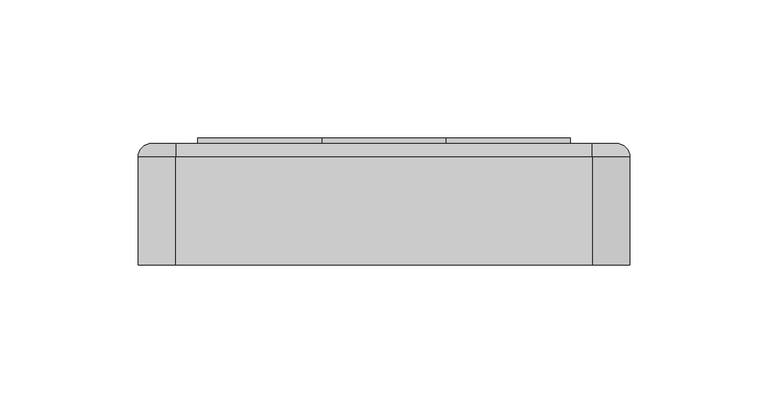
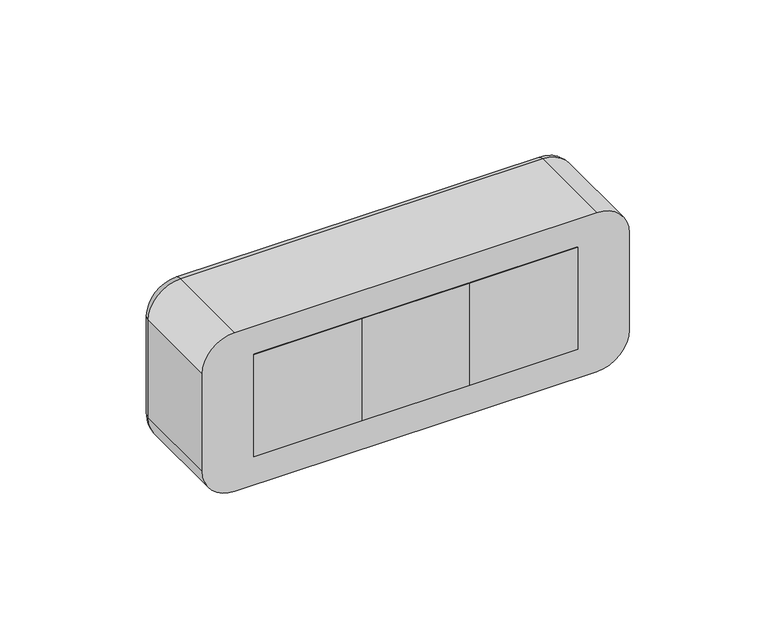
"""IFC4 building model written with IfcOpenShell, lengths in millimetres: proxy geometry."""

from ifc_helpers import new_model, si_unit, point, frame, frame_2d, origin, origin_2d, place, context, project, spatial, polyline, circle_curve, ellipse_curve, trimmed, segment, composite_curve, outline, extrude, source, transform, mapped, element, save
from ifc_brep_helpers import plane_surface, cylinder_surface, revolved_surface, advanced_brep


def electrical_fixtures_80a44ed6(model_context):
    return source(origin(), model_context, "Body", "SolidModel", [
        advanced_brep(
        [(67.5, 44.0, 22.5), (67.5, 44.0, -22.5), (22.5, 44.0, -22.5), (22.5, 44.0, 22.5), (27.0, 44.0, 0.0), (63.0, 44.0, 0.0), (67.5, 36.0, 22.5), (22.5, 36.0, 22.5), (22.5, 36.0, -22.5), (67.5, 36.0, -22.5), (38.0, 36.0, 0.0), (33.0, 36.0, 0.0), (57.0, 36.0, 0.0), (52.0, 36.0, 0.0), (27.0, 37.0, 0.0), (63.0, 37.0, 0.0), (33.0, 37.0, 0.0), (38.0, 37.0, 0.0), (52.0, 37.0, 0.0), (57.0, 37.0, 0.0)],
        [
            (0, 1),
            (1, 2),
            (2, 3),
            (3, 0),
            (4, 5, circle_curve(frame((45.0, 44.0, 0.0), z_axis=(0.0, -1.0, 0.0), x_axis=(1.0, 0.0, 0.0)), 18.0)),
            (5, 4, circle_curve(frame((45.0, 44.0, 0.0), z_axis=(0.0, -1.0, 0.0), x_axis=(1.0, 0.0, 0.0)), 18.0)),
            (6, 7),
            (7, 8),
            (8, 9),
            (9, 6),
            (10, 11, circle_curve(frame((35.5, 36.0, 0.0), z_axis=(0.0, 1.0, 0.0), x_axis=(1.0, 0.0, 0.0)), 2.5)),
            (11, 10, circle_curve(frame((35.5, 36.0, 0.0), z_axis=(0.0, 1.0, 0.0), x_axis=(1.0, 0.0, 0.0)), 2.5)),
            (12, 13, circle_curve(frame((54.5, 36.0, 0.0), z_axis=(0.0, 1.0, 0.0), x_axis=(1.0, 0.0, 0.0)), 2.5)),
            (13, 12, circle_curve(frame((54.5, 36.0, 0.0), z_axis=(0.0, 1.0, 0.0), x_axis=(1.0, 0.0, 0.0)), 2.5)),
            (3, 7),
            (6, 0),
            (2, 8),
            (1, 9),
            (14, 15, circle_curve(frame((45.0, 37.0, 0.0), z_axis=(0.0, 1.0, 0.0), x_axis=(1.0, 0.0, 0.0)), 18.0)),
            (15, 14, circle_curve(frame((45.0, 37.0, 0.0), z_axis=(0.0, 1.0, 0.0), x_axis=(1.0, 0.0, 0.0)), 18.0)),
            (16, 17, circle_curve(frame((35.5, 37.0, 0.0), z_axis=(0.0, -1.0, 0.0), x_axis=(1.0, 0.0, 0.0)), 2.5)),
            (17, 16, circle_curve(frame((35.5, 37.0, 0.0), z_axis=(0.0, -1.0, 0.0), x_axis=(1.0, 0.0, 0.0)), 2.5)),
            (18, 19, circle_curve(frame((54.5, 37.0, 0.0), z_axis=(0.0, -1.0, 0.0), x_axis=(1.0, 0.0, 0.0)), 2.5)),
            (19, 18, circle_curve(frame((54.5, 37.0, 0.0), z_axis=(0.0, -1.0, 0.0), x_axis=(1.0, 0.0, 0.0)), 2.5)),
            (15, 5),
            (4, 14),
            (10, 17),
            (16, 11),
            (12, 19),
            (18, 13),
        ],
        [
            plane_surface(frame((6.0, 44.0, 22.5), z_axis=(0.0, 1.0, 0.0), x_axis=(1.0, 0.0, 0.0))),
            plane_surface(frame((6.0, 36.0, 22.5), z_axis=(0.0, -1.0, 0.0), x_axis=(-1.0, 0.0, 0.0))),
            plane_surface(frame((67.5, 36.0, 22.5), z_axis=(0.0, 0.0, 1.0), x_axis=(0.0, 1.0, 0.0))),
            plane_surface(frame((22.5, 36.0, 22.5), z_axis=(-1.0, 0.0, 0.0), x_axis=(0.0, 1.0, 0.0))),
            plane_surface(frame((22.5, 36.0, -22.5), z_axis=(0.0, 0.0, -1.0), x_axis=(0.0, 1.0, 0.0))),
            plane_surface(frame((67.5, 36.0, -22.5), z_axis=(1.0, 0.0, 0.0), x_axis=(0.0, 1.0, 0.0))),
            plane_surface(frame((63.0, 37.0, 0.0), z_axis=(0.0, 1.0, 0.0), x_axis=(0.0, 0.0, 1.0))),
            revolved_surface(polyline([(63.0, 37.0, 0.0), (63.0, 44.0, 0.0)]), (45.0, 44.0, 0.0), (0.0, -1.0, 0.0)),
            revolved_surface(polyline([(38.0, 36.0, 0.0), (38.0, 37.0, 0.0)]), (35.5, 37.0, 0.0), (0.0, -1.0, 0.0)),
            revolved_surface(polyline([(57.0, 36.0, 0.0), (57.0, 37.0, 0.0)]), (54.5, 36.0, 0.0), (0.0, -1.0, 0.0)),
        ],
        [
            (0, [[1, 2, 3, 4], [5, 6]]),
            (1, [[7, 8, 9, 10], [11, 12], [13, 14]]),
            (2, [[-4, 15, -7, 16]]),
            (3, [[-3, 17, -8, -15]]),
            (4, [[-2, 18, -9, -17]]),
            (5, [[-1, -16, -10, -18]]),
            (6, [[19, 20], [21, 22], [23, 24]]),
            (7, [[-20, 25, -5, 26]]),
            (7, [[-19, -26, -6, -25]]),
            (8, [[27, -21, 28, -11]]),
            (8, [[-27, -12, -28, -22]]),
            (9, [[29, -23, 30, -13]]),
            (9, [[-29, -14, -30, -24]]),
        ],
    ),
        extrude(outline(polyline([(67.5, 0.0), (22.5, 0.0), (22.5, 36.0), (67.5, 36.0), (67.5, 0.0)])), frame((0.0, 0.0, -22.5), z_axis=(0.0, 0.0, 1.0), x_axis=(1.0, 0.0, 0.0)), (0.0, 0.0, 1.0), 45.0),
        extrude(outline(polyline([(67.5, 44.0), (22.5, 44.0), (22.5, 46.0), (67.5, 46.0), (67.5, 44.0)])), frame((0.0, 0.0, -22.5), z_axis=(0.0, 0.0, 1.0), x_axis=(1.0, 0.0, 0.0)), (0.0, 0.0, 1.0), 45.0),
        extrude(outline(composite_curve([segment(polyline([(-16.0, 43.5), (-17.9373911, 43.5)]), True, "CONTINUOUS"), segment(trimmed(circle_curve(frame_2d((0.0, 45.0)), 18.0), [point((-17.9373911, 43.5))], [point((-17.9373911, 46.5))], False, "CARTESIAN"), True, "CONTINUOUS"), segment(polyline([(-17.9373911, 46.5), (-16.0, 46.5), (-16.0, 43.5)]), True, "CONTINUOUS")], self_intersect=False)), frame((0.0, 37.0, 0.0), z_axis=(0.0, 1.0, 0.0), x_axis=(0.0, 0.0, 1.0)), (0.0, 0.0, 1.0), 6.0),
        extrude(outline(composite_curve([segment(polyline([(16.0, 43.5), (16.0, 46.5), (17.9373911, 46.5)]), True, "CONTINUOUS"), segment(trimmed(circle_curve(frame_2d((0.0, 45.0)), 18.0), [point((17.9373911, 46.5))], [point((17.9373911, 43.5))], False, "CARTESIAN"), True, "CONTINUOUS"), segment(polyline([(17.9373911, 43.5), (16.0, 43.5)]), True, "CONTINUOUS")], self_intersect=False)), frame((0.0, 37.0, 0.0), z_axis=(0.0, 1.0, 0.0), x_axis=(0.0, 0.0, 1.0)), (0.0, 0.0, 1.0), 6.0),
        extrude(outline(composite_curve([segment(polyline([(8.2462113, 61.0), (2.0, 61.0), (2.0, 62.8885438)]), True, "CONTINUOUS"), segment(trimmed(circle_curve(frame_2d((0.0, 45.0)), 18.0), [point((2.0, 62.8885438))], [point((8.2462113, 61.0))], False, "CARTESIAN"), True, "CONTINUOUS")], self_intersect=False)), frame((0.0, 37.0, 0.0), z_axis=(0.0, 1.0, 0.0), x_axis=(0.0, 0.0, 1.0)), (0.0, 0.0, 1.0), 6.0),
        extrude(outline(composite_curve([segment(trimmed(circle_curve(frame_2d((0.0, 45.0)), 18.0), [point((-8.2462113, 61.0))], [point((-2.0, 62.8885438))], False, "CARTESIAN"), True, "CONTINUOUS"), segment(polyline([(-2.0, 62.8885438), (-2.0, 61.0), (-8.2462113, 61.0)]), True, "CONTINUOUS")], self_intersect=False)), frame((0.0, 37.0, 0.0), z_axis=(0.0, 1.0, 0.0), x_axis=(0.0, 0.0, 1.0)), (0.0, 0.0, 1.0), 6.0),
        extrude(outline(composite_curve([segment(polyline([(-8.2462113, 29.0), (-2.0, 29.0), (-2.0, 27.1114562)]), True, "CONTINUOUS"), segment(trimmed(circle_curve(frame_2d((0.0, 45.0)), 18.0), [point((-2.0, 27.1114562))], [point((-8.2462113, 29.0))], False, "CARTESIAN"), True, "CONTINUOUS")], self_intersect=False)), frame((0.0, 37.0, 0.0), z_axis=(0.0, 1.0, 0.0), x_axis=(0.0, 0.0, 1.0)), (0.0, 0.0, 1.0), 6.0),
        extrude(outline(composite_curve([segment(trimmed(circle_curve(frame_2d((0.0, 45.0)), 18.0), [point((8.2462113, 29.0))], [point((2.0, 27.1114562))], False, "CARTESIAN"), True, "CONTINUOUS"), segment(polyline([(2.0, 27.1114562), (2.0, 29.0), (8.2462113, 29.0)]), True, "CONTINUOUS")], self_intersect=False)), frame((0.0, 37.0, 0.0), z_axis=(0.0, 1.0, 0.0), x_axis=(0.0, 0.0, 1.0)), (0.0, 0.0, 1.0), 6.0),
        advanced_brep(
        [(-22.5, 44.0, 22.5), (-22.5, 44.0, -22.5), (-67.5, 44.0, -22.5), (-67.5, 44.0, 22.5), (-63.0, 44.0, 0.0), (-27.0, 44.0, 0.0), (-22.5, 36.0, 22.5), (-67.5, 36.0, 22.5), (-67.5, 36.0, -22.5), (-22.5, 36.0, -22.5), (-52.0, 36.0, 0.0), (-57.0, 36.0, 0.0), (-33.0, 36.0, 0.0), (-38.0, 36.0, 0.0), (-63.0, 37.0, 0.0), (-27.0, 37.0, 0.0), (-57.0, 37.0, 0.0), (-52.0, 37.0, 0.0), (-38.0, 37.0, 0.0), (-33.0, 37.0, 0.0)],
        [
            (0, 1),
            (1, 2),
            (2, 3),
            (3, 0),
            (4, 5, circle_curve(frame((-45.0, 44.0, 0.0), z_axis=(0.0, -1.0, 0.0), x_axis=(1.0, 0.0, 0.0)), 18.0)),
            (5, 4, circle_curve(frame((-45.0, 44.0, 0.0), z_axis=(0.0, -1.0, 0.0), x_axis=(1.0, 0.0, 0.0)), 18.0)),
            (6, 7),
            (7, 8),
            (8, 9),
            (9, 6),
            (10, 11, circle_curve(frame((-54.5, 36.0, 0.0), z_axis=(0.0, 1.0, 0.0), x_axis=(1.0, 0.0, 0.0)), 2.5)),
            (11, 10, circle_curve(frame((-54.5, 36.0, 0.0), z_axis=(0.0, 1.0, 0.0), x_axis=(1.0, 0.0, 0.0)), 2.5)),
            (12, 13, circle_curve(frame((-35.5, 36.0, 0.0), z_axis=(0.0, 1.0, 0.0), x_axis=(1.0, 0.0, 0.0)), 2.5)),
            (13, 12, circle_curve(frame((-35.5, 36.0, 0.0), z_axis=(0.0, 1.0, 0.0), x_axis=(1.0, 0.0, 0.0)), 2.5)),
            (3, 7),
            (6, 0),
            (2, 8),
            (1, 9),
            (14, 15, circle_curve(frame((-45.0, 37.0, 0.0), z_axis=(0.0, 1.0, 0.0), x_axis=(1.0, 0.0, 0.0)), 18.0)),
            (15, 14, circle_curve(frame((-45.0, 37.0, 0.0), z_axis=(0.0, 1.0, 0.0), x_axis=(1.0, 0.0, 0.0)), 18.0)),
            (16, 17, circle_curve(frame((-54.5, 37.0, 0.0), z_axis=(0.0, -1.0, 0.0), x_axis=(1.0, 0.0, 0.0)), 2.5)),
            (17, 16, circle_curve(frame((-54.5, 37.0, 0.0), z_axis=(0.0, -1.0, 0.0), x_axis=(1.0, 0.0, 0.0)), 2.5)),
            (18, 19, circle_curve(frame((-35.5, 37.0, 0.0), z_axis=(0.0, -1.0, 0.0), x_axis=(1.0, 0.0, 0.0)), 2.5)),
            (19, 18, circle_curve(frame((-35.5, 37.0, 0.0), z_axis=(0.0, -1.0, 0.0), x_axis=(1.0, 0.0, 0.0)), 2.5)),
            (15, 5),
            (4, 14),
            (10, 17),
            (16, 11),
            (12, 19),
            (18, 13),
        ],
        [
            plane_surface(frame((-84.0, 44.0, 22.5), z_axis=(0.0, 1.0, 0.0), x_axis=(1.0, 0.0, 0.0))),
            plane_surface(frame((-84.0, 36.0, 22.5), z_axis=(0.0, -1.0, 0.0), x_axis=(-1.0, 0.0, 0.0))),
            plane_surface(frame((-22.5, 36.0, 22.5), z_axis=(0.0, 0.0, 1.0), x_axis=(0.0, 1.0, 0.0))),
            plane_surface(frame((-67.5, 36.0, 22.5), z_axis=(-1.0, 0.0, 0.0), x_axis=(0.0, 1.0, 0.0))),
            plane_surface(frame((-67.5, 36.0, -22.5), z_axis=(0.0, 0.0, -1.0), x_axis=(0.0, 1.0, 0.0))),
            plane_surface(frame((-22.5, 36.0, -22.5), z_axis=(1.0, 0.0, 0.0), x_axis=(0.0, 1.0, 0.0))),
            plane_surface(frame((-27.0, 37.0, 0.0), z_axis=(0.0, 1.0, 0.0), x_axis=(0.0, 0.0, 1.0))),
            revolved_surface(polyline([(-27.0, 37.0, 0.0), (-27.0, 44.0, 0.0)]), (-45.0, 44.0, 0.0), (0.0, -1.0, 0.0)),
            revolved_surface(polyline([(-52.0, 36.0, 0.0), (-52.0, 37.0, 0.0)]), (-54.5, 37.0, 0.0), (0.0, -1.0, 0.0)),
            revolved_surface(polyline([(-33.0, 36.0, 0.0), (-33.0, 37.0, 0.0)]), (-35.5, 36.0, 0.0), (0.0, -1.0, 0.0)),
        ],
        [
            (0, [[1, 2, 3, 4], [5, 6]]),
            (1, [[7, 8, 9, 10], [11, 12], [13, 14]]),
            (2, [[-4, 15, -7, 16]]),
            (3, [[-3, 17, -8, -15]]),
            (4, [[-2, 18, -9, -17]]),
            (5, [[-1, -16, -10, -18]]),
            (6, [[19, 20], [21, 22], [23, 24]]),
            (7, [[-20, 25, -5, 26]]),
            (7, [[-19, -26, -6, -25]]),
            (8, [[27, -21, 28, -11]]),
            (8, [[-27, -12, -28, -22]]),
            (9, [[29, -23, 30, -13]]),
            (9, [[-29, -14, -30, -24]]),
        ],
    ),
        extrude(outline(polyline([(-22.5, 0.0), (-67.5, 0.0), (-67.5, 36.0), (-22.5, 36.0), (-22.5, 0.0)])), frame((0.0, 0.0, -22.5), z_axis=(0.0, 0.0, 1.0), x_axis=(1.0, 0.0, 0.0)), (0.0, 0.0, 1.0), 45.0),
        extrude(outline(polyline([(-22.5, 44.0), (-67.5, 44.0), (-67.5, 46.0), (-22.5, 46.0), (-22.5, 44.0)])), frame((0.0, 0.0, -22.5), z_axis=(0.0, 0.0, 1.0), x_axis=(1.0, 0.0, 0.0)), (0.0, 0.0, 1.0), 45.0),
        extrude(outline(composite_curve([segment(polyline([(-16.0, -46.5), (-17.9373911, -46.5)]), True, "CONTINUOUS"), segment(trimmed(circle_curve(frame_2d((0.0, -45.0)), 18.0), [point((-17.9373911, -46.5))], [point((-17.9373911, -43.5))], False, "CARTESIAN"), True, "CONTINUOUS"), segment(polyline([(-17.9373911, -43.5), (-16.0, -43.5), (-16.0, -46.5)]), True, "CONTINUOUS")], self_intersect=False)), frame((0.0, 37.0, 0.0), z_axis=(0.0, 1.0, 0.0), x_axis=(0.0, 0.0, 1.0)), (0.0, 0.0, 1.0), 6.0),
        extrude(outline(composite_curve([segment(polyline([(16.0, -46.5), (16.0, -43.5), (17.9373911, -43.5)]), True, "CONTINUOUS"), segment(trimmed(circle_curve(frame_2d((0.0, -45.0)), 18.0), [point((17.9373911, -43.5))], [point((17.9373911, -46.5))], False, "CARTESIAN"), True, "CONTINUOUS"), segment(polyline([(17.9373911, -46.5), (16.0, -46.5)]), True, "CONTINUOUS")], self_intersect=False)), frame((0.0, 37.0, 0.0), z_axis=(0.0, 1.0, 0.0), x_axis=(0.0, 0.0, 1.0)), (0.0, 0.0, 1.0), 6.0),
        extrude(outline(composite_curve([segment(polyline([(8.2462113, -29.0), (2.0, -29.0), (2.0, -27.1114562)]), True, "CONTINUOUS"), segment(trimmed(circle_curve(frame_2d((0.0, -45.0)), 18.0), [point((2.0, -27.1114562))], [point((8.2462113, -29.0))], False, "CARTESIAN"), True, "CONTINUOUS")], self_intersect=False)), frame((0.0, 37.0, 0.0), z_axis=(0.0, 1.0, 0.0), x_axis=(0.0, 0.0, 1.0)), (0.0, 0.0, 1.0), 6.0),
        extrude(outline(composite_curve([segment(trimmed(circle_curve(frame_2d((0.0, -45.0)), 18.0), [point((-8.2462113, -29.0))], [point((-2.0, -27.1114562))], False, "CARTESIAN"), True, "CONTINUOUS"), segment(polyline([(-2.0, -27.1114562), (-2.0, -29.0), (-8.2462113, -29.0)]), True, "CONTINUOUS")], self_intersect=False)), frame((0.0, 37.0, 0.0), z_axis=(0.0, 1.0, 0.0), x_axis=(0.0, 0.0, 1.0)), (0.0, 0.0, 1.0), 6.0),
        extrude(outline(composite_curve([segment(polyline([(-8.2462113, -61.0), (-2.0, -61.0), (-2.0, -62.8885438)]), True, "CONTINUOUS"), segment(trimmed(circle_curve(frame_2d((0.0, -45.0)), 18.0), [point((-2.0, -62.8885438))], [point((-8.2462113, -61.0))], False, "CARTESIAN"), True, "CONTINUOUS")], self_intersect=False)), frame((0.0, 37.0, 0.0), z_axis=(0.0, 1.0, 0.0), x_axis=(0.0, 0.0, 1.0)), (0.0, 0.0, 1.0), 6.0),
        extrude(outline(composite_curve([segment(trimmed(circle_curve(frame_2d((0.0, -45.0)), 18.0), [point((8.2462113, -61.0))], [point((2.0, -62.8885438))], False, "CARTESIAN"), True, "CONTINUOUS"), segment(polyline([(2.0, -62.8885438), (2.0, -61.0), (8.2462113, -61.0)]), True, "CONTINUOUS")], self_intersect=False)), frame((0.0, 37.0, 0.0), z_axis=(0.0, 1.0, 0.0), x_axis=(0.0, 0.0, 1.0)), (0.0, 0.0, 1.0), 6.0),
        advanced_brep(
        [(22.5, 44.0, 22.5), (22.5, 44.0, -22.5), (-22.5, 44.0, -22.5), (-22.5, 44.0, 22.5), (-18.0, 44.0, 0.0), (18.0, 44.0, 0.0), (22.5, 36.0, 22.5), (-22.5, 36.0, 22.5), (-22.5, 36.0, -22.5), (22.5, 36.0, -22.5), (-7.0, 36.0, 0.0), (-12.0, 36.0, 0.0), (12.0, 36.0, 0.0), (7.0, 36.0, 0.0), (-18.0, 37.0, 0.0), (18.0, 37.0, 0.0), (-12.0, 37.0, 0.0), (-7.0, 37.0, 0.0), (7.0, 37.0, 0.0), (12.0, 37.0, 0.0)],
        [
            (0, 1),
            (1, 2),
            (2, 3),
            (3, 0),
            (4, 5, circle_curve(frame((0.0, 44.0, 0.0), z_axis=(0.0, -1.0, 0.0), x_axis=(1.0, 0.0, 0.0)), 18.0)),
            (5, 4, circle_curve(frame((0.0, 44.0, 0.0), z_axis=(0.0, -1.0, 0.0), x_axis=(1.0, 0.0, 0.0)), 18.0)),
            (6, 7),
            (7, 8),
            (8, 9),
            (9, 6),
            (10, 11, circle_curve(frame((-9.5, 36.0, 0.0), z_axis=(0.0, 1.0, 0.0), x_axis=(1.0, 0.0, 0.0)), 2.5)),
            (11, 10, circle_curve(frame((-9.5, 36.0, 0.0), z_axis=(0.0, 1.0, 0.0), x_axis=(1.0, 0.0, 0.0)), 2.5)),
            (12, 13, circle_curve(frame((9.5, 36.0, 0.0), z_axis=(0.0, 1.0, 0.0), x_axis=(1.0, 0.0, 0.0)), 2.5)),
            (13, 12, circle_curve(frame((9.5, 36.0, 0.0), z_axis=(0.0, 1.0, 0.0), x_axis=(1.0, 0.0, 0.0)), 2.5)),
            (3, 7),
            (6, 0),
            (2, 8),
            (1, 9),
            (14, 15, circle_curve(frame((0.0, 37.0, 0.0), z_axis=(0.0, 1.0, 0.0), x_axis=(1.0, 0.0, 0.0)), 18.0)),
            (15, 14, circle_curve(frame((0.0, 37.0, 0.0), z_axis=(0.0, 1.0, 0.0), x_axis=(1.0, 0.0, 0.0)), 18.0)),
            (16, 17, circle_curve(frame((-9.5, 37.0, 0.0), z_axis=(0.0, -1.0, 0.0), x_axis=(1.0, 0.0, 0.0)), 2.5)),
            (17, 16, circle_curve(frame((-9.5, 37.0, 0.0), z_axis=(0.0, -1.0, 0.0), x_axis=(1.0, 0.0, 0.0)), 2.5)),
            (18, 19, circle_curve(frame((9.5, 37.0, 0.0), z_axis=(0.0, -1.0, 0.0), x_axis=(1.0, 0.0, 0.0)), 2.5)),
            (19, 18, circle_curve(frame((9.5, 37.0, 0.0), z_axis=(0.0, -1.0, 0.0), x_axis=(1.0, 0.0, 0.0)), 2.5)),
            (15, 5),
            (4, 14),
            (10, 17),
            (16, 11),
            (12, 19),
            (18, 13),
        ],
        [
            plane_surface(frame((-39.0, 44.0, 22.5), z_axis=(0.0, 1.0, 0.0), x_axis=(1.0, 0.0, 0.0))),
            plane_surface(frame((-39.0, 36.0, 22.5), z_axis=(0.0, -1.0, 0.0), x_axis=(-1.0, 0.0, 0.0))),
            plane_surface(frame((22.5, 36.0, 22.5), z_axis=(0.0, 0.0, 1.0), x_axis=(0.0, 1.0, 0.0))),
            plane_surface(frame((-22.5, 36.0, 22.5), z_axis=(-1.0, 0.0, 0.0), x_axis=(0.0, 1.0, 0.0))),
            plane_surface(frame((-22.5, 36.0, -22.5), z_axis=(0.0, 0.0, -1.0), x_axis=(0.0, 1.0, 0.0))),
            plane_surface(frame((22.5, 36.0, -22.5), z_axis=(1.0, 0.0, 0.0), x_axis=(0.0, 1.0, 0.0))),
            plane_surface(frame((18.0, 37.0, 0.0), z_axis=(0.0, 1.0, 0.0), x_axis=(0.0, 0.0, 1.0))),
            revolved_surface(polyline([(18.0, 37.0, 0.0), (18.0, 44.0, 0.0)]), (0.0, 44.0, 0.0), (0.0, -1.0, 0.0)),
            revolved_surface(polyline([(-7.0, 36.0, 0.0), (-7.0, 37.0, 0.0)]), (-9.5, 37.0, 0.0), (0.0, -1.0, 0.0)),
            revolved_surface(polyline([(12.0, 36.0, 0.0), (12.0, 37.0, 0.0)]), (9.5, 36.0, 0.0), (0.0, -1.0, 0.0)),
        ],
        [
            (0, [[1, 2, 3, 4], [5, 6]]),
            (1, [[7, 8, 9, 10], [11, 12], [13, 14]]),
            (2, [[-4, 15, -7, 16]]),
            (3, [[-3, 17, -8, -15]]),
            (4, [[-2, 18, -9, -17]]),
            (5, [[-1, -16, -10, -18]]),
            (6, [[19, 20], [21, 22], [23, 24]]),
            (7, [[-20, 25, -5, 26]]),
            (7, [[-19, -26, -6, -25]]),
            (8, [[27, -21, 28, -11]]),
            (8, [[-27, -12, -28, -22]]),
            (9, [[29, -23, 30, -13]]),
            (9, [[-29, -14, -30, -24]]),
        ],
    ),
        extrude(outline(polyline([(22.5, 0.0), (-22.5, 0.0), (-22.5, 36.0), (22.5, 36.0), (22.5, 0.0)])), frame((0.0, 0.0, -22.5), z_axis=(0.0, 0.0, 1.0), x_axis=(1.0, 0.0, 0.0)), (0.0, 0.0, 1.0), 45.0),
        extrude(outline(polyline([(22.5, 44.0), (-22.5, 44.0), (-22.5, 46.0), (22.5, 46.0), (22.5, 44.0)])), frame((0.0, 0.0, -22.5), z_axis=(0.0, 0.0, 1.0), x_axis=(1.0, 0.0, 0.0)), (0.0, 0.0, 1.0), 45.0),
        extrude(outline(composite_curve([segment(polyline([(-16.0, -1.5), (-17.9373911, -1.5)]), True, "CONTINUOUS"), segment(trimmed(circle_curve(origin_2d(), 18.0), [point((-17.9373911, -1.5))], [point((-17.9373911, 1.5))], False, "CARTESIAN"), True, "CONTINUOUS"), segment(polyline([(-17.9373911, 1.5), (-16.0, 1.5), (-16.0, -1.5)]), True, "CONTINUOUS")], self_intersect=False)), frame((0.0, 37.0, 0.0), z_axis=(0.0, 1.0, 0.0), x_axis=(0.0, 0.0, 1.0)), (0.0, 0.0, 1.0), 6.0),
        extrude(outline(composite_curve([segment(polyline([(16.0, -1.5), (16.0, 1.5), (17.9373911, 1.5)]), True, "CONTINUOUS"), segment(trimmed(circle_curve(origin_2d(), 18.0), [point((17.9373911, 1.5))], [point((17.9373911, -1.5))], False, "CARTESIAN"), True, "CONTINUOUS"), segment(polyline([(17.9373911, -1.5), (16.0, -1.5)]), True, "CONTINUOUS")], self_intersect=False)), frame((0.0, 37.0, 0.0), z_axis=(0.0, 1.0, 0.0), x_axis=(0.0, 0.0, 1.0)), (0.0, 0.0, 1.0), 6.0),
        extrude(outline(composite_curve([segment(polyline([(8.2462113, 16.0), (2.0, 16.0), (2.0, 17.8885438)]), True, "CONTINUOUS"), segment(trimmed(circle_curve(origin_2d(), 18.0), [point((2.0, 17.8885438))], [point((8.2462113, 16.0))], False, "CARTESIAN"), True, "CONTINUOUS")], self_intersect=False)), frame((0.0, 37.0, 0.0), z_axis=(0.0, 1.0, 0.0), x_axis=(0.0, 0.0, 1.0)), (0.0, 0.0, 1.0), 6.0),
        extrude(outline(composite_curve([segment(trimmed(circle_curve(origin_2d(), 18.0), [point((-8.2462113, 16.0))], [point((-2.0, 17.8885438))], False, "CARTESIAN"), True, "CONTINUOUS"), segment(polyline([(-2.0, 17.8885438), (-2.0, 16.0), (-8.2462113, 16.0)]), True, "CONTINUOUS")], self_intersect=False)), frame((0.0, 37.0, 0.0), z_axis=(0.0, 1.0, 0.0), x_axis=(0.0, 0.0, 1.0)), (0.0, 0.0, 1.0), 6.0),
        extrude(outline(composite_curve([segment(polyline([(-8.2462113, -16.0), (-2.0, -16.0), (-2.0, -17.8885438)]), True, "CONTINUOUS"), segment(trimmed(circle_curve(origin_2d(), 18.0), [point((-2.0, -17.8885438))], [point((-8.2462113, -16.0))], False, "CARTESIAN"), True, "CONTINUOUS")], self_intersect=False)), frame((0.0, 37.0, 0.0), z_axis=(0.0, 1.0, 0.0), x_axis=(0.0, 0.0, 1.0)), (0.0, 0.0, 1.0), 6.0),
        extrude(outline(composite_curve([segment(trimmed(circle_curve(origin_2d(), 18.0), [point((8.2462113, -16.0))], [point((2.0, -17.8885438))], False, "CARTESIAN"), True, "CONTINUOUS"), segment(polyline([(2.0, -17.8885438), (2.0, -16.0), (8.2462113, -16.0)]), True, "CONTINUOUS")], self_intersect=False)), frame((0.0, 37.0, 0.0), z_axis=(0.0, 1.0, 0.0), x_axis=(0.0, 0.0, 1.0)), (0.0, 0.0, 1.0), 6.0),
        advanced_brep(
        [(75.4328665, 44.0, 30.0), (84.0, 44.0, 21.4328665), (84.0, 44.0, -21.4328665), (75.4328665, 44.0, -30.0), (-75.4328665, 44.0, -30.0), (-84.0, 44.0, -21.4328665), (-84.0, 44.0, 21.4328665), (-75.4328665, 44.0, 30.0), (67.5, 44.0, 22.5), (-67.5, 44.0, 22.5), (-67.5, 44.0, -22.5), (67.5, 44.0, -22.5), (-75.4328665, 0.0, 35.0), (-89.0, 0.0, 21.4328665), (-89.0, 0.0, -21.4328665), (-75.4328665, 0.0, -35.0), (75.4328665, 0.0, -35.0), (89.0, 0.0, -21.4328665), (89.0, 0.0, 21.4328665), (75.4328665, 0.0, 35.0), (67.5, 2.0, -22.5), (67.5, 2.0, 22.5), (-67.5, 2.0, -22.5), (-67.5, 2.0, 22.5), (-89.0, 39.0, 21.4328665), (-89.0, 39.0, -21.4328665), (-75.4328665, 39.0, -35.0), (75.4328665, 39.0, -35.0), (89.0, 39.0, -21.4328665), (89.0, 39.0, 21.4328665), (75.4328665, 39.0000072, 35.0), (-75.4328665, 39.0, 35.0)],
        [
            (0, 1, circle_curve(frame((75.4328665, 44.0, 21.4328665), z_axis=(0.0, 1.0, 0.0), x_axis=(0.0, 0.0, 1.0)), 8.5671335)),
            (1, 2),
            (2, 3, circle_curve(frame((75.4328665, 44.0, -21.4328665), z_axis=(0.0, 1.0, 0.0), x_axis=(1.0, 0.0, 0.0)), 8.5671335)),
            (3, 4),
            (4, 5, circle_curve(frame((-75.4328665, 44.0, -21.4328665), z_axis=(0.0, 1.0, 0.0), x_axis=(0.0, 0.0, -1.0)), 8.5671335)),
            (5, 6),
            (6, 7, circle_curve(frame((-75.4328665, 44.0, 21.4328665), z_axis=(0.0, 1.0, 0.0), x_axis=(-1.0, 0.0, 0.0)), 8.5671335)),
            (7, 0),
            (8, 9),
            (9, 10),
            (10, 11),
            (11, 8),
            (12, 13, circle_curve(frame((-75.4328665, 0.0, 21.4328665), z_axis=(0.0, -1.0, 0.0), x_axis=(1.0, 0.0, 0.0)), 13.5671335)),
            (13, 14),
            (14, 15, circle_curve(frame((-75.4328665, 0.0, -21.4328665), z_axis=(0.0, -1.0, 0.0), x_axis=(1.0, 0.0, 0.0)), 13.5671335)),
            (15, 16),
            (16, 17, circle_curve(frame((75.4328665, 0.0, -21.4328665), z_axis=(0.0, -1.0, 0.0), x_axis=(1.0, 0.0, 0.0)), 13.5671335)),
            (17, 18),
            (18, 19, circle_curve(frame((75.4328665, 0.0, 21.4328665), z_axis=(0.0, -1.0, 0.0), x_axis=(1.0, 0.0, 0.0)), 13.5671335)),
            (19, 12),
            (11, 20),
            (20, 21),
            (21, 8),
            (10, 22),
            (22, 20),
            (9, 23),
            (23, 22),
            (21, 23),
            (13, 24),
            (24, 25),
            (25, 14),
            (15, 26),
            (26, 27),
            (27, 16),
            (17, 28),
            (28, 29),
            (29, 18),
            (19, 30),
            (30, 31),
            (31, 12),
            (31, 24, circle_curve(frame((-75.4328665, 39.0, 21.4328665), z_axis=(0.0, -1.0, 0.0), x_axis=(1.0, 0.0, 0.0)), 13.5671335)),
            (25, 26, circle_curve(frame((-75.4328665, 39.0, -21.4328665), z_axis=(0.0, -1.0, 0.0), x_axis=(1.0, 0.0, 0.0)), 13.5671335)),
            (27, 28, circle_curve(frame((75.4328665, 39.0, -21.4328665), z_axis=(0.0, -1.0, 0.0), x_axis=(1.0, 0.0, 0.0)), 13.5671335)),
            (29, 30, circle_curve(frame((75.4328665, 39.0, 21.4328665), z_axis=(0.0, -1.0, 0.0), x_axis=(1.0, 0.0, 0.0)), 13.5671335)),
            (29, 1, circle_curve(frame((84.0, 39.0, 21.4328665), z_axis=(0.0, 0.0, 1.0), x_axis=(0.0, 1.0, 0.0)), 5.0)),
            (0, 30, circle_curve(frame((75.4328665, 39.0, 30.0), z_axis=(1.0, 0.0, 0.0), x_axis=(0.0, 1.0, 0.0)), 5.0)),
            (28, 2, circle_curve(frame((84.0, 39.0, -21.4328665), z_axis=(0.0, 0.0, 1.0), x_axis=(0.0, 1.0, 0.0)), 5.0)),
            (27, 3, circle_curve(frame((75.4328665, 39.0, -30.0), z_axis=(1.0, 0.0, 0.0), x_axis=(0.0, 1.0, 0.0)), 5.0)),
            (26, 4, circle_curve(frame((-75.4328665, 39.0, -30.0), z_axis=(1.0, 0.0, 0.0), x_axis=(0.0, 1.0, 0.0)), 5.0)),
            (25, 5, circle_curve(frame((-84.0, 39.0, -21.4328665), z_axis=(0.0, 0.0, -1.0), x_axis=(0.0, 1.0, 0.0)), 5.0)),
            (24, 6, circle_curve(frame((-84.0, 39.0, 21.4328665), z_axis=(0.0, 0.0, -1.0), x_axis=(0.0, 1.0, 0.0)), 5.0)),
            (31, 7, circle_curve(frame((-75.4328665, 39.0, 30.0), z_axis=(-1.0, 0.0, 0.0), x_axis=(0.0, 1.0, 0.0)), 5.0)),
        ],
        [
            plane_surface(frame((67.5, 44.0, 6.9412233), z_axis=(0.0, 1.0, 0.0), x_axis=(0.0, 0.0, 1.0))),
            plane_surface(frame((67.5, 0.0, 6.9412233), z_axis=(0.0, -1.0, 0.0), x_axis=(0.0, 0.0, -1.0))),
            plane_surface(frame((67.5, 0.0, 22.5), z_axis=(-1.0, 0.0, 0.0), x_axis=(0.0, 1.0, 0.0))),
            plane_surface(frame((67.5, 0.0, -22.5), z_axis=(0.0, 0.0, 1.0), x_axis=(0.0, 1.0, 0.0))),
            plane_surface(frame((-67.5, 0.0, -22.5), z_axis=(1.0, 0.0, 0.0), x_axis=(0.0, 1.0, 0.0))),
            plane_surface(frame((-67.5, 0.0, 22.5), z_axis=(0.0, 0.0, -1.0), x_axis=(0.0, 1.0, 0.0))),
            plane_surface(frame((-89.0, 0.0, 21.4328665), z_axis=(-1.0, 0.0, 0.0), x_axis=(0.0, 1.0, 0.0))),
            plane_surface(frame((-75.4328665, 0.0, -35.0), z_axis=(0.0, 0.0, -1.0), x_axis=(0.0, 1.0, 0.0))),
            plane_surface(frame((89.0, 0.0, -21.4328665), z_axis=(1.0, 0.0, 0.0), x_axis=(0.0, 1.0, 0.0))),
            plane_surface(frame((75.4328665, 0.0, 35.0), z_axis=(0.0, 0.0, 1.0), x_axis=(0.0, 1.0, 0.0))),
            cylinder_surface(frame((-75.4328665, 0.0, 21.4328665), z_axis=(0.0, -1.0, 0.0), x_axis=(1.0, 0.0, 0.0)), 13.5671335),
            cylinder_surface(frame((-75.4328665, 0.0, -21.4328665), z_axis=(0.0, -1.0, 0.0), x_axis=(1.0, 0.0, 0.0)), 13.5671335),
            cylinder_surface(frame((75.4328665, 0.0, -21.4328665), z_axis=(0.0, -1.0, 0.0), x_axis=(1.0, 0.0, 0.0)), 13.5671335),
            cylinder_surface(frame((75.4328665, 0.0, 21.4328665), z_axis=(0.0, -1.0, 0.0), x_axis=(1.0, 0.0, 0.0)), 13.5671335),
            plane_surface(frame((-67.5, 2.0, 31.0), z_axis=(0.0, 1.0, 0.0), x_axis=(0.0, 0.0, 1.0))),
            revolved_surface(trimmed(ellipse_curve(frame((75.4328665, 39.0, 30.0), z_axis=(-1.0, 0.0, 0.0), x_axis=(0.0, 1.0, 0.0)), 5.0, 5.0), [point((75.4328665, 39.0, 35.0))], [point((75.4328665, 44.0, 30.0))], True, "CARTESIAN"), (75.4328665, 44.0, 21.4328665), (0.0, 1.0, 0.0)),
            cylinder_surface(frame((84.0, 39.0, 21.4328665), z_axis=(0.0, 0.0, -1.0), x_axis=(0.0, 1.0, 0.0)), 5.0),
            revolved_surface(trimmed(ellipse_curve(frame((84.0, 39.0, -21.4328665), z_axis=(0.0, 0.0, 1.0), x_axis=(0.0, 1.0, 0.0)), 5.0, 5.0), [point((89.0, 39.0, -21.4328665))], [point((84.0, 44.0, -21.4328665))], True, "CARTESIAN"), (75.4328665, 44.0, -21.4328665), (0.0, 1.0, 0.0)),
            cylinder_surface(frame((75.4328665, 39.0, -30.0), z_axis=(-1.0, 0.0, 0.0), x_axis=(0.0, 1.0, 0.0)), 5.0),
            revolved_surface(trimmed(ellipse_curve(frame((-75.4328665, 39.0, -30.0), z_axis=(1.0, 0.0, 0.0), x_axis=(0.0, 1.0, 0.0)), 5.0, 5.0), [point((-75.4328665, 39.0, -35.0))], [point((-75.4328665, 44.0, -30.0))], True, "CARTESIAN"), (-75.4328665, 44.0, -21.4328665), (0.0, 1.0, 0.0)),
            cylinder_surface(frame((-84.0, 39.0, -21.4328665), z_axis=(0.0, 0.0, 1.0), x_axis=(0.0, 1.0, 0.0)), 5.0),
            revolved_surface(trimmed(ellipse_curve(frame((-84.0, 39.0, 21.4328665), z_axis=(0.0, 0.0, -1.0), x_axis=(0.0, 1.0, 0.0)), 5.0, 5.0), [point((-89.0, 39.0, 21.4328665))], [point((-84.0, 44.0, 21.4328665))], True, "CARTESIAN"), (-75.4328665, 44.0, 21.4328665), (0.0, 1.0, 0.0)),
            cylinder_surface(frame((-75.4328665, 39.0, 30.0), z_axis=(1.0, 0.0, 0.0), x_axis=(0.0, 1.0, 0.0)), 5.0),
        ],
        [
            (0, [[1, 2, 3, 4, 5, 6, 7, 8], [9, 10, 11, 12]]),
            (1, [[13, 14, 15, 16, 17, 18, 19, 20]]),
            (2, [[-12, 21, 22, 23]]),
            (3, [[-11, 24, 25, -21]]),
            (4, [[-10, 26, 27, -24]]),
            (5, [[-9, -23, 28, -26]]),
            (6, [[-14, 29, 30, 31]]),
            (7, [[-16, 32, 33, 34]]),
            (8, [[-18, 35, 36, 37]]),
            (9, [[-20, 38, 39, 40]]),
            (10, [[-13, -40, 41, -29]]),
            (11, [[-15, -31, 42, -32]]),
            (12, [[-17, -34, 43, -35]]),
            (13, [[-19, -37, 44, -38]]),
            (14, [[-22, -25, -27, -28]]),
            (15, [[45, -1, 46, -44]]),
            (16, [[-45, -36, 47, -2]]),
            (17, [[-47, -43, 48, -3]]),
            (18, [[-48, -33, 49, -4]]),
            (19, [[-49, -42, 50, -5]]),
            (20, [[-50, -30, 51, -6]]),
            (21, [[-51, -41, 52, -7]]),
            (22, [[-46, -8, -52, -39]]),
        ],
    ),
    ])


if __name__ == "__main__":
    model = new_model("IFC4")
    model_context = context("Model", 3, world=origin())
    ifc_project = project(units=[si_unit("LENGTHUNIT", "METRE", prefix="MILLI")], contexts=[model_context])
    site = spatial("IfcSite", under=ifc_project)
    building = spatial("IfcBuilding", under=site)
    placement = place(None, origin())
    electrical_fixtures_shape = electrical_fixtures_80a44ed6(model_context)
    element("IfcBuildingElementProxy", 1, Name="Electrical Fixtures", at=placement, inside=building, context=model_context, shape_type="MappedRepresentation", body=[
        mapped(electrical_fixtures_shape, transform((0.0, 0.0, 0.0), x_axis=(1.0, 0.0, 0.0), y_axis=(0.0, 1.0, 0.0), z_axis=(0.0, 0.0, 1.0))),
    ])
    save(model, "model.ifc")
